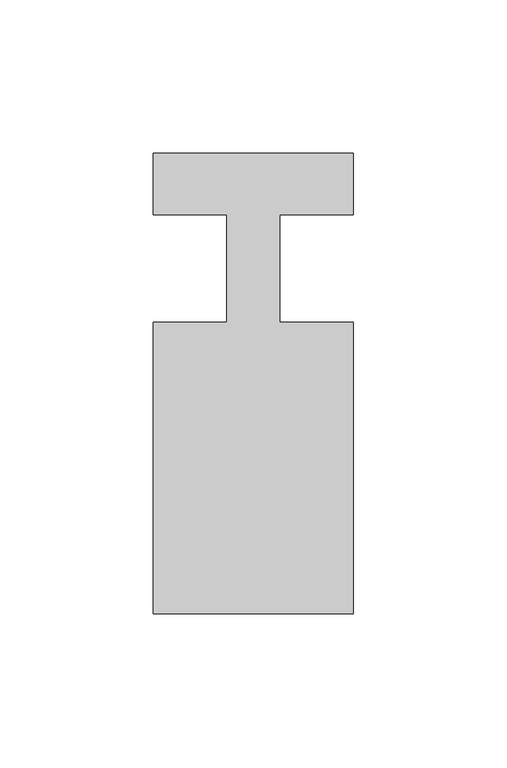
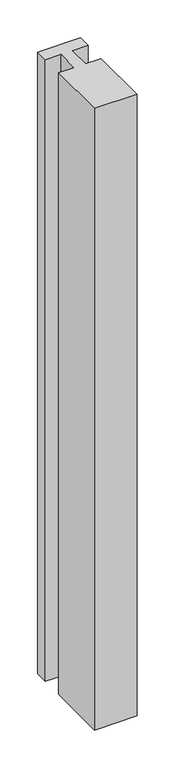
"""IFC4 building model written with IfcOpenShell, lengths in millimetres: member geometry."""

import ifcopenshell
import ifcopenshell.guid

model = None  # the IFC model being written
_history = None  # IfcOwnerHistory: only IFC2X3 demands one
_inside = {}  # id of a spatial element -> (the spatial element, [elements in it])
_under = {}  # id of a project, library or spatial element -> (it, [spatial elements below it])
_declared = {}  # id of a project -> (the project, [libraries it declares])
_typed = {}  # id of a type object -> (the type object, [elements of that type])
_made_of = {}  # id of a material, layer set ... -> (it, [elements and type objects made of it])


def new_model(schema):
    """Start an empty IFC model of exactly this schema.

    Asked for "IFC4X3", IfcOpenShell would pick the latest addendum, in which some entities
    have other attributes; the version numbers below select the first issue.
    IFC2X3 requires an IfcOwnerHistory on every rooted entity: one is made here for all.
    """
    global model, _history
    if schema == "IFC4X3":
        model = ifcopenshell.file(schema_version=(4, 3, 0, 0))
    else:
        model = ifcopenshell.file(schema=schema)
    _inside.clear()
    _under.clear()
    _declared.clear()
    _typed.clear()
    _made_of.clear()
    _history = None
    if model.schema == "IFC2X3":
        org = make("IfcOrganization", Name="unknown")
        user = make(
            "IfcPersonAndOrganization",
            ThePerson=make("IfcPerson", FamilyName="unknown"),
            TheOrganization=org,
        )
        app = make(
            "IfcApplication",
            ApplicationDeveloper=org,
            Version="unknown",
            ApplicationFullName="unknown",
            ApplicationIdentifier="unknown",
        )
        _history = make(
            "IfcOwnerHistory",
            OwningUser=user,
            OwningApplication=app,
            ChangeAction="ADDED",
            CreationDate=0,
        )
    return model


def make(cls, **values):
    """One entity of the class cls with the attributes given. An attribute that is None is left unset."""
    return model.create_entity(
        cls, **{name: value for name, value in values.items() if value is not None}
    )


def rooted(cls, **values):
    """An entity with a GlobalId (a new one), such as an element, a storey or a relation."""
    return make(cls, GlobalId=ifcopenshell.guid.new(), OwnerHistory=_history, **values)


def si_unit(unit_type, name, prefix=None):
    """IfcSIUnit, for example si_unit("LENGTHUNIT", "METRE", prefix="MILLI")."""
    return make("IfcSIUnit", UnitType=unit_type, Prefix=prefix, Name=name)


def assignment(units):
    """IfcUnitAssignment: the units of a project."""
    return None if units is None else make("IfcUnitAssignment", Units=units)


def point(xyz):
    """IfcCartesianPoint."""
    return None if xyz is None else make("IfcCartesianPoint", Coordinates=xyz)


def direction(xyz):
    """IfcDirection."""
    return None if xyz is None else make("IfcDirection", DirectionRatios=xyz)


def frame(location, z_axis=None, x_axis=None):
    """IfcAxis2Placement3D, a coordinate frame: its origin and axes. An axis left out is left unset."""
    return make(
        "IfcAxis2Placement3D",
        Location=point(location),
        Axis=direction(z_axis),
        RefDirection=direction(x_axis),
    )


def origin():
    """The frame at (0, 0, 0) with its axes left unset."""
    return frame((0.0, 0.0, 0.0))


def place(relative_to, where):
    """IfcLocalPlacement: puts the frame where relative to a parent placement (None: the world)."""
    return make(
        "IfcLocalPlacement", PlacementRelTo=relative_to, RelativePlacement=where
    )


def context(
    kind, dimensions, precision=None, world=None, true_north=None, identifier=None
):
    """IfcGeometricRepresentationContext, for example the 3D "Model" context."""
    return make(
        "IfcGeometricRepresentationContext",
        ContextIdentifier=identifier,
        ContextType=kind,
        CoordinateSpaceDimension=dimensions,
        Precision=precision,
        WorldCoordinateSystem=world,
        TrueNorth=true_north,
    )


def project(units=None, contexts=None):
    """IfcProject with its units and contexts."""
    return rooted(
        "IfcProject",
        Name="project",
        RepresentationContexts=contexts,
        UnitsInContext=assignment(units),
    )


def spatial(cls, under=None, at=None, **own):
    """A site, building, storey or space (cls), placed at a placement, below another one or the project."""
    s = rooted(cls, ObjectPlacement=at, **own)
    if under is not None:
        _under.setdefault(under.id(), (under, []))[1].append(s)
    return s


def polyline(points):
    """IfcPolyline through the points."""
    return make("IfcPolyline", Points=[point(p) for p in points])


def outline(outer, holes=None, kind="AREA"):
    """IfcArbitraryClosedProfileDef: a profile drawn as a closed curve; with holes, ...WithVoids."""
    if holes is None:
        return make("IfcArbitraryClosedProfileDef", ProfileType=kind, OuterCurve=outer)
    return make(
        "IfcArbitraryProfileDefWithVoids",
        ProfileType=kind,
        OuterCurve=outer,
        InnerCurves=holes,
    )


def extrude(swept, where, along, depth):
    """IfcExtrudedAreaSolid: the profile swept, set in the frame where, extruded along a direction by depth."""
    return make(
        "IfcExtrudedAreaSolid",
        SweptArea=swept,
        Position=where,
        ExtrudedDirection=direction(along),
        Depth=depth,
    )


def shape(context_of_items, identifier, shape_type, items):
    """IfcShapeRepresentation: the items that make up one representation, for example the "Body"."""
    return make(
        "IfcShapeRepresentation",
        ContextOfItems=context_of_items,
        RepresentationIdentifier=identifier,
        RepresentationType=shape_type,
        Items=items,
    )


def source(mapping_origin, context_of_items, identifier, shape_type, items):
    """IfcRepresentationMap: a shape defined once, which mapped items show again and again."""
    return make(
        "IfcRepresentationMap",
        MappingOrigin=mapping_origin,
        MappedRepresentation=shape(context_of_items, identifier, shape_type, items),
    )


def transform(
    local_origin,
    x_axis=None,
    y_axis=None,
    z_axis=None,
    scale=None,
    scale2=None,
    scale3=None,
    uniform=True,
):
    """IfcCartesianTransformationOperator3D, or its non-uniform kind. x_axis, y_axis, z_axis: its Axis1, 2, 3."""
    if uniform:
        return make(
            "IfcCartesianTransformationOperator3D",
            Axis1=direction(x_axis),
            Axis2=direction(y_axis),
            LocalOrigin=point(local_origin),
            Scale=scale,
            Axis3=direction(z_axis),
        )
    return make(
        "IfcCartesianTransformationOperator3DnonUniform",
        Axis1=direction(x_axis),
        Axis2=direction(y_axis),
        LocalOrigin=point(local_origin),
        Scale=scale,
        Axis3=direction(z_axis),
        Scale2=scale2,
        Scale3=scale3,
    )


def mapped(mapping_source, mapping_target):
    """IfcMappedItem: shows the shape of a source again, moved by a transform."""
    return make(
        "IfcMappedItem", MappingSource=mapping_source, MappingTarget=mapping_target
    )


def made_of(thing, what):
    """Note that an element or type object is made of a material, layer set ...; save() writes the relation."""
    if what is not None:
        _made_of.setdefault(what.id(), (what, []))[1].append(thing)
    return thing


def element(
    cls,
    number,
    at=None,
    inside=None,
    cuts=None,
    type_object=None,
    material=None,
    context=None,
    identifier="Body",
    shape_type=None,
    held_by="IfcProductDefinitionShape",
    body=None,
    shapes=None,
    **own,
):
    """One element of the class cls, such as IfcWall. Its Tag is "e" and its number.

    at: its placement. inside: the storey or other place that contains it. cuts: it is an
    opening in that element (IfcRelVoidsElement). A single representation is given by context,
    identifier, shape_type and body (its items); several are given by shapes. held_by: the class
    of the entity that holds the representations. save() writes the other relations.
    """
    e = rooted(cls, Tag="e%d" % number, ObjectPlacement=at, **own)
    if body is not None:
        shapes = [shape(context, identifier, shape_type, body)]
    if shapes is not None:
        e.Representation = make(held_by, Representations=shapes)
    if inside is not None:
        _inside.setdefault(inside.id(), (inside, []))[1].append(e)
    if cuts is not None:
        rooted(
            "IfcRelVoidsElement", RelatingBuildingElement=cuts, RelatedOpeningElement=e
        )
    if type_object is not None:
        _typed.setdefault(type_object.id(), (type_object, []))[1].append(e)
    return made_of(e, material)


def aggregate(whole, parts):
    """IfcRelAggregates: a whole, such as a stair, and the parts it consists of."""
    return rooted("IfcRelAggregates", RelatingObject=whole, RelatedObjects=parts)


def save(model, path):
    """Write the relations noted so far, then the file.

    IfcRelAggregates (storeys below a building ...), IfcRelContainedInSpatialStructure (elements
    in a storey), IfcRelDefinesByType, IfcRelAssociatesMaterial and IfcRelDeclares: one each for
    every whole, place, type object, material and project.
    """
    for whole, parts in _under.values():
        aggregate(whole, parts)
    for where, things in _inside.values():
        rooted(
            "IfcRelContainedInSpatialStructure",
            RelatedElements=things,
            RelatingStructure=where,
        )
    for kind, things in _typed.values():
        rooted("IfcRelDefinesByType", RelatedObjects=things, RelatingType=kind)
    for what, things in _made_of.values():
        rooted("IfcRelAssociatesMaterial", RelatedObjects=things, RelatingMaterial=what)
    for by, libraries in _declared.values():
        rooted("IfcRelDeclares", RelatingContext=by, RelatedDefinitions=libraries)
    model.write(path)


def member_6d5759c6(model_context):
    return source(origin(), model_context, "Body", "SweptSolid", [
        extrude(outline(polyline([(0.0, 37.0), (0.0, 17.0), (-23.8125, 17.0), (-23.8125, -18.0), (0.0, -18.0), (0.0, -113.0), (-65.0, -113.0), (-65.0, -18.0), (-41.1875, -18.0), (-41.1875, 17.0), (-65.0, 17.0), (-65.0, 37.0), (0.0, 37.0)])), frame((0.0, 0.0, -1001.5982143), z_axis=(0.0, 0.0, 1.0), x_axis=(1.0, 0.0, 0.0)), (0.0, 0.0, 1.0), 1001.5982143),
    ])


if __name__ == "__main__":
    model = new_model("IFC4")
    model_context = context("Model", 3, world=origin())
    ifc_project = project(units=[si_unit("LENGTHUNIT", "METRE", prefix="MILLI")], contexts=[model_context])
    site = spatial("IfcSite", under=ifc_project)
    building = spatial("IfcBuilding", under=site)
    placement = place(None, origin())
    member_shape = member_6d5759c6(model_context)
    element("IfcMember", 1, at=placement, inside=building, context=model_context, shape_type="MappedRepresentation", body=[
        mapped(member_shape, transform((0.0, 0.0, 0.0), x_axis=(1.0, 0.0, 0.0), y_axis=(0.0, 1.0, 0.0), z_axis=(0.0, 0.0, 1.0))),
    ])
    save(model, "model.ifc")
